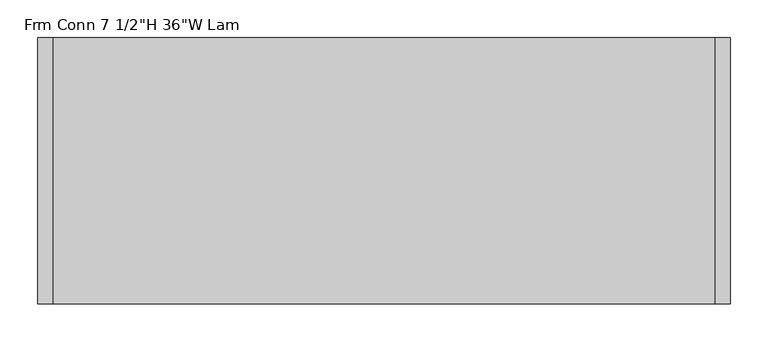
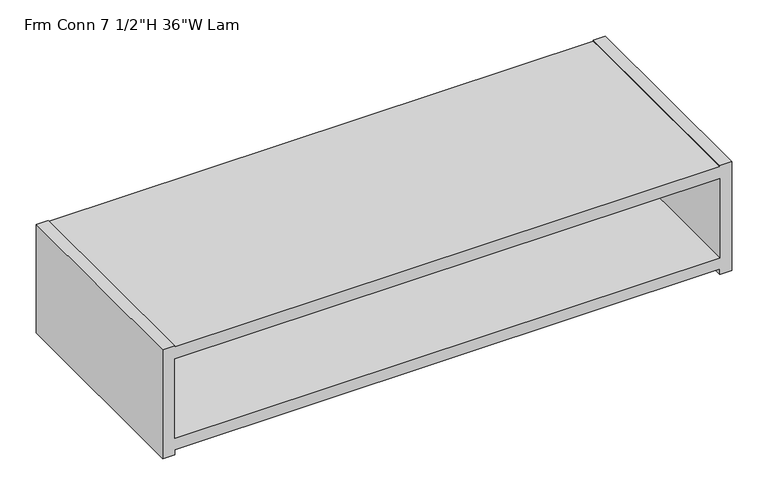
"""IFC4 building model written with IfcOpenShell, lengths in millimetres: furniture geometry."""

from ifc_helpers import new_model, si_unit, origin, place, context, project, spatial, faceted_brep, source, transform, mapped, element, save


def furniture_acdfc508(model_context):
    return source(origin(), model_context, "Body", "Brep", [
        faceted_brep([(-437.896, -191.7735724, 459.41742), (434.9194375, -191.7735724, 459.41742), (434.9194375, -191.7735724, 450.85), (454.2234375, -191.7735724, 450.85), (454.2234375, -191.7735724, 635.0), (434.9194375, -191.7735724, 635.0), (434.9194375, -191.7735724, 632.968), (-437.896, -191.7735724, 632.968), (-437.896, -191.7735724, 635.0), (-457.2, -191.7735724, 635.0), (-457.2, -191.7735724, 450.85), (-437.896, -191.7735724, 450.85), (434.9194375, -191.7735724, 478.72142), (-437.896, -191.7735724, 478.72142), (-437.896, -191.7735724, 613.31475), (434.9194375, -191.7735724, 613.31475), (-437.896, 145.5282676, 613.31475), (434.9194375, 145.5282676, 613.31475), (434.9194375, 145.5282676, 450.85), (-437.896, 145.5282676, 450.85), (434.9194375, 126.2242676, 478.72142), (-437.896, 126.2242676, 478.72142), (-437.896, 126.2242676, 459.41742), (434.9194375, 126.2242676, 459.41742), (454.2234375, 158.8226276, 635.0), (434.9194375, 158.8226276, 635.0), (-437.896, 158.8226276, 635.0), (-457.2, 158.8226276, 635.0), (-457.2, 158.8226276, 450.85), (-437.896, 158.8226276, 450.85), (434.9194375, 158.8226276, 450.85), (454.2234375, 158.8226276, 450.85), (434.9194375, 126.2242676, 450.85), (-437.896, 126.2242676, 450.85), (-437.896, 158.8226276, 632.968), (434.9194375, 158.8226276, 632.968), (434.9194375, 158.8226276, 613.31475), (-437.896, 158.8226276, 613.31475), (-437.896, 126.2242676, 613.31475), (434.9194375, 126.2242676, 613.31475)], [[[0, 1, 2, 3, 4, 5, 6, 7, 8, 9, 10, 11], [12, 13, 14, 15]], [[16, 17, 18, 19]], [[13, 12, 20, 21]], [[1, 0, 22, 23]], [[5, 4, 24, 25]], [[26, 27, 9, 8]], [[11, 10, 28, 29, 19, 18, 30, 31, 3, 2, 32, 33]], [[27, 26, 34, 35, 25, 24, 31, 30, 36, 37, 29, 28]], [[9, 27, 28, 10]], [[14, 13, 21, 38]], [[0, 11, 33, 22]], [[16, 19, 29, 37]], [[26, 8, 7, 34]], [[12, 15, 39, 20]], [[2, 1, 23, 32]], [[18, 17, 36, 30]], [[5, 25, 35, 6]], [[24, 4, 3, 31]], [[7, 6, 35, 34]], [[15, 14, 38, 39]], [[37, 36, 17, 16]], [[21, 20, 39, 38]], [[33, 32, 23, 22]]]),
    ])


if __name__ == "__main__":
    model = new_model("IFC4")
    model_context = context("Model", 3, world=origin())
    ifc_project = project(units=[si_unit("LENGTHUNIT", "METRE", prefix="MILLI")], contexts=[model_context])
    site = spatial("IfcSite", under=ifc_project)
    building = spatial("IfcBuilding", under=site)
    placement = place(None, origin())
    furniture_shape = furniture_acdfc508(model_context)
    element("IfcFurniture", 1, ObjectType="Frm Conn 7 1/2\"H 36\"W Lam", at=placement, inside=building, context=model_context, shape_type="MappedRepresentation", body=[
        mapped(furniture_shape, transform((0.0, 0.0, 0.0), x_axis=(1.0, 0.0, 0.0), y_axis=(0.0, 1.0, 0.0), z_axis=(0.0, 0.0, 1.0))),
    ])
    save(model, "model.ifc")
